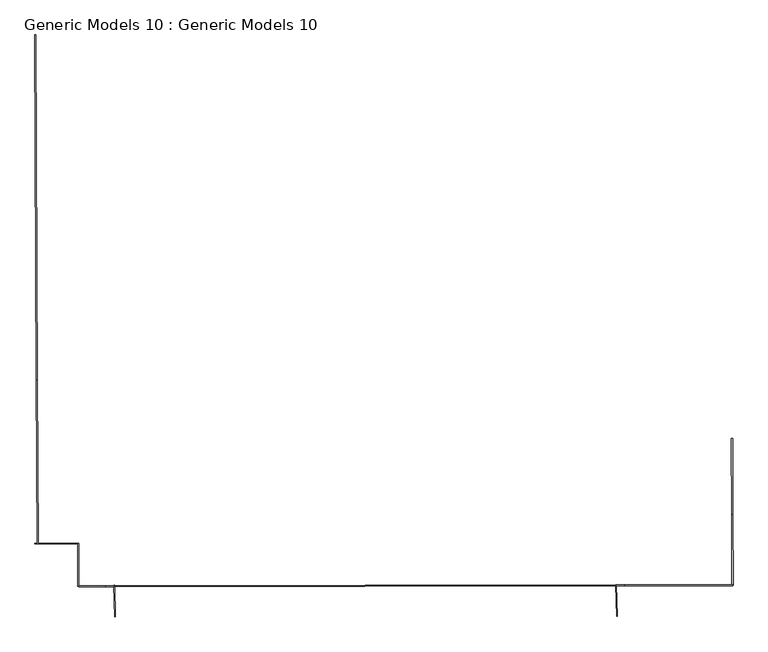
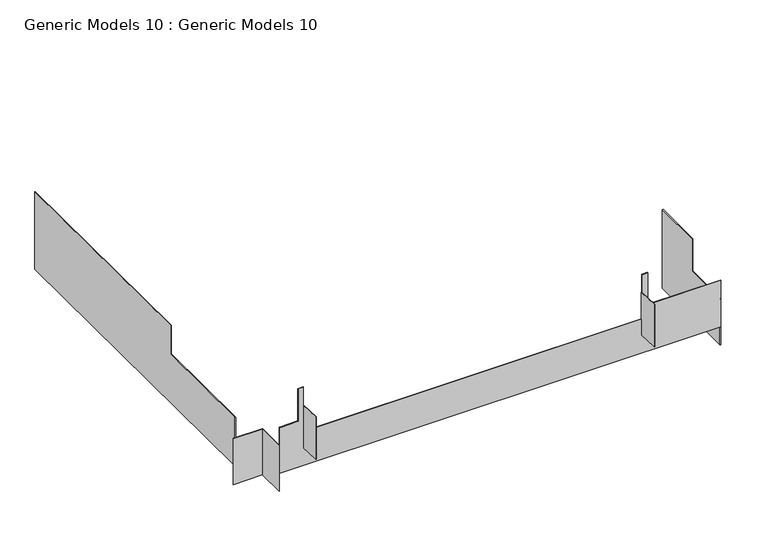
"""IFC4 building model written with IfcOpenShell, lengths in millimetres: proxy geometry, Generic Models 10 : Generic Models 10."""

from ifc_helpers import new_model, si_unit, frame, origin, place, context, project, spatial, polyline, outline, extrude, source, transform, mapped, element, save


def generic_models_10_generic_models_10_a83d5bb5(model_context):
    return source(origin(), model_context, "Body", "SweptSolid", [
        extrude(outline(polyline([(-7.5, 0.0), (594.6970406, 0.0), (594.6970406, -723.421885), (239.7938823, -723.421885), (239.7938823, -373.1394664), (-7.5, -373.1394664), (-7.5, 0.0)])), frame((-41934.7367097, 47129.3944731, 109804.0128807), z_axis=(0.9999986809033875, 0.001624251053619003, 0.0), x_axis=(0.0, 0.0, -1.0)), (0.0, 0.0, 1.0), 6.8885473),
        extrude(outline(polyline([(343.6191549, 0.0), (344.2853895, -153.9086933), (17.7755679, -155.3220779), (17.103215, 0.0), (343.6191549, 0.0)])), frame((-42503.7790718, 46410.3948084, 109828.6159355), z_axis=(0.9995335640606574, 0.03053938958459999, 0.0), x_axis=(0.00013219662593383556, -0.004326706148150111, -0.999990631025091)), (0.0, 0.0, 1.0), 3.8872226),
        extrude(outline(polyline([(343.6191549, 0.0), (344.2853895, -153.9086933), (17.7755679, -155.3220778), (17.103215, 0.0), (343.6191549, 0.0)])), frame((-44970.5880129, 46406.7803907, 109828.6159355), z_axis=(0.9997786280865747, 0.021040314192683318, 0.0), x_axis=(9.107773870695513e-05, -0.004327766962973016, -0.999990631025091)), (0.0, 0.0, 1.0), 3.8872226),
        extrude(outline(polyline([(41.4702712, 0.0), (41.4702712, -249.8016084), (175.9236009, -249.8016084), (175.9236009, -602.1970406), (-3040.2503402, -602.1669897), (-3040.3310991, -247.7150628), (-2507.0008107, -247.7150628), (-2507.0008107, -0.5749322), (-2467.6661696, -0.5749322), (-2467.6661696, -342.9248994), (3.0341736, -342.9248994), (3.0341736, 0.0), (41.4702712, 0.0)])), frame((-44967.7294907, 46398.8405983, 109951.5128807), z_axis=(-0.002142955563886057, 0.9999977038680895, 0.0), x_axis=(-0.9999977038680895, -0.002142955563886057, 0.0)), (0.0, 0.0, 1.0), 5.0624687),
        extrude(outline(polyline([(-45143.7825418, 46614.2460697), (-45143.7825418, 46401.3803195), (-45147.2325116, 46401.3803195), (-45147.2325116, 46614.2460697), (-45143.7825418, 46614.2460697)])), frame((0.0, 0.0, 109209.3158401), z_axis=(0.0, 0.0, 1.0), x_axis=(1.0, 0.0, 0.0)), (0.0, 0.0, 1.0), 352.3954322),
        extrude(outline(polyline([(-45358.5835716, 46614.2460697), (-45147.2325116, 46614.2460697), (-45147.2325116, 46610.1652479), (-45358.5835716, 46610.1652479), (-45358.5835716, 46614.2460697)])), frame((0.0, 0.0, 109209.3158401), z_axis=(0.0, 0.0, 1.0), x_axis=(1.0, 0.0, 0.0)), (0.0, 0.0, 1.0), 352.3954322),
        extrude(outline(polyline([(0.0, 0.0), (0.0, -1698.2271914), (-595.3387357, -1698.2271914), (-595.3387357, 806.0745562), (-222.680627, 806.0745562), (-222.680627, 0.0), (0.0, 0.0)])), frame((-45350.9792055, 47416.2317228, 109944.6545758), z_axis=(0.9999899744862746, 0.0044778261399813155, 0.0), x_axis=(0.0, 0.0, 1.0)), (0.0, 0.0, 1.0), 3.9864652),
    ])


if __name__ == "__main__":
    model = new_model("IFC4")
    model_context = context("Model", 3, world=origin())
    ifc_project = project(units=[si_unit("LENGTHUNIT", "METRE", prefix="MILLI")], contexts=[model_context])
    site = spatial("IfcSite", under=ifc_project)
    building = spatial("IfcBuilding", under=site)
    placement = place(None, origin())
    generic_models_10_generic_models_10_shape = generic_models_10_generic_models_10_a83d5bb5(model_context)
    element("IfcBuildingElementProxy", 1, Name="Generic Models 10 : Generic Models 10", ObjectType="Generic Models 10 : Generic Models 10", at=placement, inside=building, context=model_context, shape_type="MappedRepresentation", body=[
        mapped(generic_models_10_generic_models_10_shape, transform((0.0, 0.0, 0.0), x_axis=(1.0, 0.0, 0.0), y_axis=(0.0, 1.0, 0.0), z_axis=(0.0, 0.0, 1.0))),
    ])
    save(model, "model.ifc")
